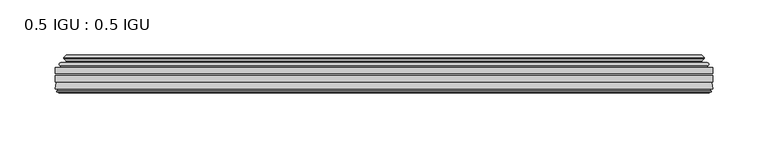
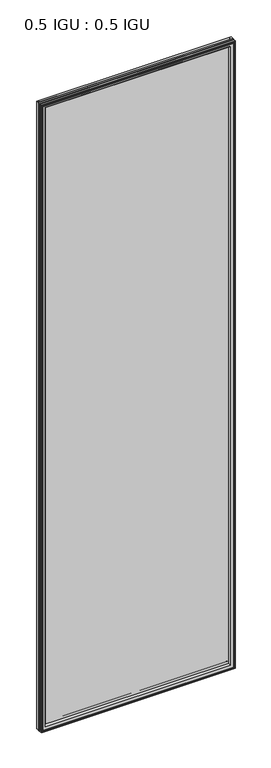
"""IFC4 building model written with IfcOpenShell, lengths in millimetres: plate geometry, 0.5 IGU : 0.5 IGU."""

from ifc_helpers import new_model, si_unit, frame, origin, place, context, project, spatial, polyline, ellipse_curve, outline, extrude, source, transform, mapped, element, save
from ifc_brep_helpers import plane_surface, cylinder_surface, revolved_surface, advanced_brep


def plate_0_5_igu_0_5_igu_023c3213(model_context):
    return source(origin(), model_context, "Body", "SolidModel", [
        extrude(outline(polyline([(296.8798663, -55.82285), (296.8798663, -61.48705), (-296.8656913, -61.48705), (-296.8656913, -55.82285), (296.8798663, -55.82285)])), frame((0.0, 0.0, -14.2875), z_axis=(0.0, 0.0, 1.0), x_axis=(1.0, 0.0, 0.0)), (0.0, 0.0, 1.0), 2025.6537979),
        extrude(outline(polyline([(-296.8656913, -69.05625), (-296.8656913, -63.39205), (296.8798663, -63.39205), (296.8798663, -69.05625), (-296.8656913, -69.05625)])), frame((0.0, 0.0, -14.2875), z_axis=(0.0, 0.0, 1.0), x_axis=(1.0, 0.0, 0.0)), (0.0, 0.0, 1.0), 2025.6537979),
        advanced_brep(
        [(-292.7631539, -54.3724927, 2007.2599626), (-291.7186291, -51.60645, 2006.2154378), (-291.7186291, -51.60645, -9.1404378), (-292.7631539, -54.3724927, -10.1849626), (-291.1267083, -55.82285, 2005.623517), (-291.1267083, -55.82285, -8.548517), (-282.5781913, -45.63745, 1997.075), (-278.9954674, -55.82285, 1993.4922761), (-278.9954674, -55.82285, 3.5827239), (-282.5781913, -45.63745, 0.0), (-287.7641022, -46.8185491, 2002.2609109), (-287.7641022, -46.8185491, -5.1859109), (-286.9670806, -44.8183085, 2001.4638893), (-286.9670806, -44.8183085, -4.3888893), (-289.2508024, -47.135817, 2003.7476111), (-289.2508024, -47.135817, -6.6726111), (-289.2508024, -47.8489429, 2003.7476111), (-289.2508024, -47.8489429, -6.6726111), (-286.9670806, -50.1664515, 2001.4638893), (-286.9670806, -50.1664515, -4.3888893), (-287.7564414, -48.1854367, 2002.2532501), (-287.7564414, -48.1854367, -5.1782501), (-285.2326292, -48.027045, 1999.7294379), (-285.2326292, -48.027045, -2.6544379), (-284.206813, -48.7147544, 1998.7036217), (-284.206813, -48.7147544, -1.6286217), (-284.3252202, -50.1092231, 1998.8220288), (-284.3252202, -50.1092231, -1.7470288), (-284.9269661, -51.60645, 1999.4237748), (-284.9269661, -51.60645, -2.3487748), (291.7186291, -51.60645, -9.1404378), (292.7631539, -54.3724927, -10.1849626), (291.1267083, -55.82285, -8.548517), (278.9954674, -55.82285, 3.5827239), (282.5781913, -45.63745, 0.0), (287.7641022, -46.8185491, -5.1859109), (286.9670806, -44.8183085, -4.3888893), (289.2508024, -47.135817, -6.6726111), (289.2508024, -47.8489429, -6.6726111), (286.9670806, -50.1664515, -4.3888893), (287.7564414, -48.1854367, -5.1782501), (285.2326292, -48.027045, -2.6544379), (284.206813, -48.7147544, -1.6286217), (284.3252202, -50.1092231, -1.7470288), (284.9269661, -51.60645, -2.3487748), (291.7186291, -51.60645, 2006.2154378), (292.7631539, -54.3724927, 2007.2599626), (291.1267083, -55.82285, 2005.623517), (278.9954674, -55.82285, 1993.4922761), (282.5781913, -45.63745, 1997.075), (287.7641022, -46.8185491, 2002.2609109), (286.9670806, -44.8183085, 2001.4638893), (289.2508024, -47.135817, 2003.7476111), (289.2508024, -47.8489429, 2003.7476111), (286.9670806, -50.1664515, 2001.4638893), (287.7564414, -48.1854367, 2002.2532501), (285.2326292, -48.027045, 1999.7294379), (284.206813, -48.7147544, 1998.7036217), (284.3252202, -50.1092231, 1998.8220288), (284.9269661, -51.60645, 1999.4237748)],
        [
            (0, 1, ellipse_curve(frame((-291.7102616, -53.1898501, 2006.2070703), z_axis=(-0.7071067811865475, 0.0, -0.7071067811865475), x_axis=(-0.7071067811865474, 0.0, 0.7071067811865476)), 2.2392971, 1.5834222)),
            (1, 2),
            (2, 3, ellipse_curve(frame((-291.7102616, -53.1898501, -9.1320703), z_axis=(-0.7071067811865475, 0.0, 0.7071067811865475), x_axis=(0.7071067811865474, 0.0, 0.7071067811865476)), 2.2392971, 1.5834222)),
            (3, 0),
            (4, 0),
            (3, 5),
            (5, 4),
            (6, 7, ellipse_curve(frame((-250.2984374, -40.0058297, 1964.795246), z_axis=(0.7071067811865475, 0.0, 0.7071067811865475), x_axis=(0.7071067811865474, 0.0, -0.7071067811865476)), 46.3399971, 32.7673262)),
            (7, 8),
            (8, 9, ellipse_curve(frame((-250.2984374, -40.0058297, 32.279754), z_axis=(0.7071067811865475, 0.0, -0.7071067811865475), x_axis=(-0.7071067811865474, 0.0, -0.7071067811865476)), 46.3399971, 32.7673262)),
            (9, 6),
            (10, 6),
            (9, 11),
            (11, 10),
            (12, 10),
            (11, 13),
            (13, 12),
            (14, 12),
            (13, 15),
            (15, 14),
            (16, 14, ellipse_curve(frame((-288.8889642, -47.49238, 2003.3857729), z_axis=(-0.7071067811865475, 0.0, -0.7071067811865475), x_axis=(-0.7071067811865474, 0.0, 0.7071067811865476)), 0.7184205, 0.508)),
            (15, 17, ellipse_curve(frame((-288.8889642, -47.49238, -6.3107729), z_axis=(-0.7071067811865475, 0.0, 0.7071067811865475), x_axis=(0.7071067811865474, 0.0, 0.7071067811865476)), 0.7184205, 0.508)),
            (17, 16),
            (18, 16),
            (17, 19),
            (19, 18),
            (20, 18),
            (19, 21),
            (21, 20),
            (22, 20),
            (21, 23),
            (23, 22),
            (24, 22, ellipse_curve(frame((-285.1689913, -49.04105, 1999.6658), z_axis=(0.7071067811865475, 0.0, 0.7071067811865475), x_axis=(0.7071067811865474, 0.0, -0.7071067811865476)), 1.436841, 1.016)),
            (23, 25, ellipse_curve(frame((-285.1689913, -49.04105, -2.5908), z_axis=(0.7071067811865475, 0.0, -0.7071067811865475), x_axis=(-0.7071067811865474, 0.0, -0.7071067811865476)), 1.436841, 1.016)),
            (25, 24),
            (26, 24, ellipse_curve(frame((-286.5405913, -49.21885, 2001.0374), z_axis=(0.7071067811865475, 0.0, 0.7071067811865475), x_axis=(0.7071067811865474, 0.0, -0.7071067811865476)), 3.3765763, 2.3876)),
            (25, 27, ellipse_curve(frame((-286.5405913, -49.21885, -3.9624), z_axis=(0.7071067811865475, 0.0, -0.7071067811865475), x_axis=(-0.7071067811865474, 0.0, -0.7071067811865476)), 3.3765763, 2.3876)),
            (27, 26),
            (28, 26),
            (27, 29),
            (29, 28),
            (2, 30),
            (30, 31, ellipse_curve(frame((291.7102616, -53.1898501, -9.1320703), z_axis=(-0.7071067811865475, 0.0, -0.7071067811865475), x_axis=(-0.7071067811865476, 0.0, 0.7071067811865474)), 2.2392971, 1.5834222)),
            (31, 3),
            (31, 32),
            (32, 5),
            (8, 33),
            (33, 34, ellipse_curve(frame((250.2984374, -40.0058297, 32.279754), z_axis=(0.7071067811865475, 0.0, 0.7071067811865475), x_axis=(0.7071067811865476, 0.0, -0.7071067811865474)), 46.3399971, 32.7673262)),
            (34, 9),
            (34, 35),
            (35, 11),
            (35, 36),
            (36, 13),
            (36, 37),
            (37, 15),
            (37, 38, ellipse_curve(frame((288.8889642, -47.49238, -6.3107729), z_axis=(-0.7071067811865475, 0.0, -0.7071067811865475), x_axis=(-0.7071067811865476, 0.0, 0.7071067811865474)), 0.7184205, 0.508)),
            (38, 17),
            (38, 39),
            (39, 19),
            (39, 40),
            (40, 21),
            (40, 41),
            (41, 23),
            (41, 42, ellipse_curve(frame((285.1689913, -49.04105, -2.5908), z_axis=(0.7071067811865475, 0.0, 0.7071067811865475), x_axis=(0.7071067811865476, 0.0, -0.7071067811865474)), 1.436841, 1.016)),
            (42, 25),
            (42, 43, ellipse_curve(frame((286.5405913, -49.21885, -3.9624), z_axis=(0.7071067811865475, 0.0, 0.7071067811865475), x_axis=(0.7071067811865476, 0.0, -0.7071067811865474)), 3.3765763, 2.3876)),
            (43, 27),
            (43, 44),
            (44, 29),
            (30, 45),
            (45, 46, ellipse_curve(frame((291.7102616, -53.1898501, 2006.2070703), z_axis=(0.7071067811865475, 0.0, -0.7071067811865475), x_axis=(-0.7071067811865474, 0.0, -0.7071067811865476)), 2.2392971, 1.5834222)),
            (46, 31),
            (46, 47),
            (47, 32),
            (33, 48),
            (48, 49, ellipse_curve(frame((250.2984374, -40.0058297, 1964.795246), z_axis=(-0.7071067811865475, 0.0, 0.7071067811865475), x_axis=(0.7071067811865474, 0.0, 0.7071067811865476)), 46.3399971, 32.7673262)),
            (49, 34),
            (49, 50),
            (50, 35),
            (50, 51),
            (51, 36),
            (51, 52),
            (52, 37),
            (52, 53, ellipse_curve(frame((288.8889642, -47.49238, 2003.3857729), z_axis=(0.7071067811865475, 0.0, -0.7071067811865475), x_axis=(-0.7071067811865474, 0.0, -0.7071067811865476)), 0.7184205, 0.508)),
            (53, 38),
            (53, 54),
            (54, 39),
            (54, 55),
            (55, 40),
            (55, 56),
            (56, 41),
            (56, 57, ellipse_curve(frame((285.1689913, -49.04105, 1999.6658), z_axis=(-0.7071067811865475, 0.0, 0.7071067811865475), x_axis=(0.7071067811865474, 0.0, 0.7071067811865476)), 1.436841, 1.016)),
            (57, 42),
            (57, 58, ellipse_curve(frame((286.5405913, -49.21885, 2001.0374), z_axis=(-0.7071067811865475, 0.0, 0.7071067811865475), x_axis=(0.7071067811865474, 0.0, 0.7071067811865476)), 3.3765763, 2.3876)),
            (58, 43),
            (58, 59),
            (59, 44),
            (45, 1),
            (0, 46),
            (4, 47),
            (7, 48),
            (6, 49),
            (10, 50),
            (12, 51),
            (14, 52),
            (16, 53),
            (18, 54),
            (20, 55),
            (22, 56),
            (24, 57),
            (26, 58),
            (28, 59),
        ],
        [
            cylinder_surface(frame((-291.7102616, -53.1898501, 2028.825), z_axis=(0.0, 0.0, 1.0), x_axis=(-1.0, 0.0, 0.0)), 1.5834222),
            plane_surface(frame((-292.7631539, -54.3724927, 2007.2599626), z_axis=(-0.6632745773184306, -0.7483761320907135, 0.0), x_axis=(0.0, 0.0, -1.0))),
            revolved_surface(polyline([(-283.0657636, -40.0058297, -0.48757218957507575), (-283.0657636, -40.0058297, 1997.562572189575)]), (-250.2984374, -40.0058297, 2028.825), (0.0, 0.0, -1.0)),
            plane_surface(frame((-282.5781913, -45.63745, 1997.075), z_axis=(-0.2220649844278743, 0.975031867525902, 0.0), x_axis=(0.0, 0.0, -1.0))),
            plane_surface(frame((-287.7641022, -46.8185491, 2002.2609109), z_axis=(0.9289682685630282, -0.370159365683228, 0.0), x_axis=(0.0, 0.0, -1.0))),
            plane_surface(frame((-286.9670806, -44.8183085, 2001.4638893), z_axis=(-0.7122798501733507, 0.7018955869907071, 0.0), x_axis=(0.0, 0.0, -1.0))),
            cylinder_surface(frame((-288.8889642, -47.49238, 2028.825), z_axis=(0.0, 0.0, 1.0), x_axis=(-1.0, 0.0, 0.0)), 0.508),
            plane_surface(frame((-289.2508024, -47.8489429, 2003.7476111), z_axis=(-0.7122798501732925, -0.701895586990766, 0.0), x_axis=(0.0, 0.0, -1.0))),
            plane_surface(frame((-286.9670806, -50.1664515, 2001.4638893), z_axis=(0.9289682685628707, 0.3701593656836228, 0.0), x_axis=(0.0, 0.0, -1.0))),
            plane_surface(frame((-287.7564414, -48.1854367, 2002.2532501), z_axis=(0.0626357011928498, -0.9980364567169279, 0.0), x_axis=(0.0, 0.0, -1.0))),
            revolved_surface(polyline([(-286.18499130000004, -49.04105, -3.6068000145867245), (-286.18499130000004, -49.04105, 2000.6818000145868)]), (-285.1689913, -49.04105, 2028.825), (0.0, 0.0, -1.0)),
            revolved_surface(polyline([(-288.92819130000004, -49.21885, -6.3499999989237494), (-288.92819130000004, -49.21885, 2003.4249999989238)]), (-286.5405913, -49.21885, 2028.825), (0.0, 0.0, -1.0)),
            plane_surface(frame((-284.3252202, -50.1092231, 1998.8220288), z_axis=(-0.9278652925428184, 0.3729155385532094, 0.0), x_axis=(0.0, 0.0, -1.0))),
            cylinder_surface(frame((-314.3281913, -53.1898501, -9.1320703), z_axis=(-1.0, 0.0, 0.0), x_axis=(0.0, 0.0, -1.0)), 1.5834222),
            plane_surface(frame((-292.7631539, -54.3724927, -10.1849626), z_axis=(0.0, -0.7483761320907157, -0.6632745773184283), x_axis=(1.0, 0.0, 0.0))),
            revolved_surface(polyline([(283.06576358957506, -40.0058297, -0.48757220000000245), (-283.06576358957494, -40.0058297, -0.48757220000000245)]), (-314.3281913, -40.0058297, 32.279754), (1.0, 0.0, 0.0)),
            plane_surface(frame((-282.5781913, -45.63745, 0.0), z_axis=(0.0, 0.9750318675259013, -0.22206498442787745), x_axis=(1.0, 0.0, 0.0))),
            plane_surface(frame((-287.7641022, -46.8185491, -5.1859109), z_axis=(0.0, -0.370159365683225, 0.9289682685630294), x_axis=(1.0, 0.0, 0.0))),
            plane_surface(frame((-286.9670806, -44.8183085, -4.3888893), z_axis=(0.0, 0.7018955869907048, -0.7122798501733529), x_axis=(1.0, 0.0, 0.0))),
            cylinder_surface(frame((-314.3281913, -47.49238, -6.3107729), z_axis=(-1.0, 0.0, 0.0), x_axis=(0.0, 0.0, -1.0)), 0.508),
            plane_surface(frame((-289.2508024, -47.8489429, -6.6726111), z_axis=(0.0, -0.7018955869907684, -0.7122798501732903), x_axis=(1.0, 0.0, 0.0))),
            plane_surface(frame((-286.9670806, -50.1664515, -4.3888893), z_axis=(0.0, 0.37015936568362584, 0.9289682685628696), x_axis=(1.0, 0.0, 0.0))),
            plane_surface(frame((-287.7564414, -48.1854367, -5.1782501), z_axis=(0.0, -0.9980364567169276, 0.06263570119285301), x_axis=(1.0, 0.0, 0.0))),
            revolved_surface(polyline([(286.18499131458697, -49.04105, -3.6068000000000002), (-286.18499131458685, -49.04105, -3.6068000000000002)]), (-314.3281913, -49.04105, -2.5908), (1.0, 0.0, 0.0)),
            revolved_surface(polyline([(288.92819129892376, -49.21885, -6.35), (-288.9281912989238, -49.21885, -6.35)]), (-314.3281913, -49.21885, -3.9624), (1.0, 0.0, 0.0)),
            plane_surface(frame((-284.3252202, -50.1092231, -1.7470288), z_axis=(0.0, 0.3729155385532064, -0.9278652925428196), x_axis=(1.0, 0.0, 0.0))),
            cylinder_surface(frame((291.7102616, -53.1898501, -31.75), z_axis=(0.0, 0.0, -1.0), x_axis=(1.0, 0.0, 0.0)), 1.5834222),
            plane_surface(frame((292.7631539, -54.3724927, -10.1849626), z_axis=(0.6632745773184259, -0.7483761320907178, 0.0), x_axis=(0.0, 0.0, 1.0))),
            revolved_surface(polyline([(283.0657636, -40.0058297, 1997.562572189575), (283.0657636, -40.0058297, -0.48757218957494075)]), (250.2984374, -40.0058297, -31.75), (0.0, 0.0, 1.0)),
            plane_surface(frame((282.5781913, -45.63745, 0.0), z_axis=(0.22206498442788056, 0.9750318675259005, 0.0), x_axis=(0.0, 0.0, 1.0))),
            plane_surface(frame((287.7641022, -46.8185491, -5.1859109), z_axis=(-0.9289682685630306, -0.370159365683222, 0.0), x_axis=(0.0, 0.0, 1.0))),
            plane_surface(frame((286.9670806, -44.8183085, -4.3888893), z_axis=(0.7122798501733552, 0.7018955869907024, 0.0), x_axis=(0.0, 0.0, 1.0))),
            cylinder_surface(frame((288.8889642, -47.49238, -31.75), z_axis=(0.0, 0.0, -1.0), x_axis=(1.0, 0.0, 0.0)), 0.508),
            plane_surface(frame((289.2508024, -47.8489429, -6.6726111), z_axis=(0.712279850173288, -0.7018955869907706, 0.0), x_axis=(0.0, 0.0, 1.0))),
            plane_surface(frame((286.9670806, -50.1664515, -4.3888893), z_axis=(-0.9289682685628684, 0.37015936568362884, 0.0), x_axis=(0.0, 0.0, 1.0))),
            plane_surface(frame((287.7564414, -48.1854367, -5.1782501), z_axis=(-0.06263570119285623, -0.9980364567169274, 0.0), x_axis=(0.0, 0.0, 1.0))),
            revolved_surface(polyline([(286.18499130000004, -49.04105, 2000.6818000145868), (286.18499130000004, -49.04105, -3.606800014586863)]), (285.1689913, -49.04105, -31.75), (0.0, 0.0, 1.0)),
            revolved_surface(polyline([(288.92819130000004, -49.21885, 2003.4249999989238), (288.92819130000004, -49.21885, -6.349999998923781)]), (286.5405913, -49.21885, -31.75), (0.0, 0.0, 1.0)),
            plane_surface(frame((284.3252202, -50.1092231, -1.7470288), z_axis=(0.9278652925428208, 0.3729155385532034, 0.0), x_axis=(0.0, 0.0, 1.0))),
            cylinder_surface(frame((314.3281913, -53.1898501, 2006.2070703), z_axis=(1.0, 0.0, 0.0), x_axis=(0.0, 0.0, 1.0)), 1.5834222),
            plane_surface(frame((292.7631539, -54.3724927, 2007.2599626), z_axis=(0.0, -0.7483761320907157, 0.6632745773184283), x_axis=(-1.0, 0.0, 0.0))),
            plane_surface(frame((291.1267083, -55.82285, 2005.623517), z_axis=(0.0, -1.0, 0.0), x_axis=(-1.0, 0.0, 0.0))),
            revolved_surface(polyline([(-283.06576358957506, -40.0058297, 1997.5625722), (283.06576358957494, -40.0058297, 1997.5625722)]), (314.3281913, -40.0058297, 1964.795246), (-1.0, 0.0, 0.0)),
            plane_surface(frame((282.5781913, -45.63745, 1997.075), z_axis=(0.0, 0.9750318675259012, 0.22206498442787742), x_axis=(-1.0, 0.0, 0.0))),
            plane_surface(frame((287.7641022, -46.8185491, 2002.2609109), z_axis=(0.0, -0.370159365683225, -0.9289682685630294), x_axis=(-1.0, 0.0, 0.0))),
            plane_surface(frame((286.9670806, -44.8183085, 2001.4638893), z_axis=(0.0, 0.7018955869907048, 0.7122798501733529), x_axis=(-1.0, 0.0, 0.0))),
            cylinder_surface(frame((314.3281913, -47.49238, 2003.3857729), z_axis=(1.0, 0.0, 0.0), x_axis=(0.0, 0.0, 1.0)), 0.508),
            plane_surface(frame((289.2508024, -47.8489429, 2003.7476111), z_axis=(0.0, -0.7018955869907684, 0.7122798501732903), x_axis=(-1.0, 0.0, 0.0))),
            plane_surface(frame((286.9670806, -50.1664515, 2001.4638893), z_axis=(0.0, 0.37015936568362584, -0.9289682685628696), x_axis=(-1.0, 0.0, 0.0))),
            plane_surface(frame((287.7564414, -48.1854367, 2002.2532501), z_axis=(0.0, -0.9980364567169276, -0.06263570119285301), x_axis=(-1.0, 0.0, 0.0))),
            revolved_surface(polyline([(-286.18499131458697, -49.04105, 2000.6818), (286.18499131458685, -49.04105, 2000.6818)]), (314.3281913, -49.04105, 1999.6658), (-1.0, 0.0, 0.0)),
            revolved_surface(polyline([(-288.92819129892376, -49.21885, 2003.425), (288.9281912989238, -49.21885, 2003.425)]), (314.3281913, -49.21885, 2001.0374), (-1.0, 0.0, 0.0)),
            plane_surface(frame((284.3252202, -50.1092231, 1998.8220288), z_axis=(0.0, 0.3729155385532064, 0.9278652925428196), x_axis=(-1.0, 0.0, 0.0))),
            plane_surface(frame((284.9269661, -51.60645, 1999.4237748), z_axis=(0.0, 1.0, 0.0), x_axis=(-1.0, 0.0, 0.0))),
        ],
        [
            (0, [[1, 2, 3, 4]]),
            (1, [[5, -4, 6, 7]]),
            (2, [[8, 9, 10, 11]]),
            (3, [[12, -11, 13, 14]]),
            (4, [[15, -14, 16, 17]]),
            (5, [[18, -17, 19, 20]]),
            (6, [[21, -20, 22, 23]]),
            (7, [[24, -23, 25, 26]]),
            (8, [[27, -26, 28, 29]]),
            (9, [[30, -29, 31, 32]]),
            (10, [[33, -32, 34, 35]]),
            (11, [[36, -35, 37, 38]]),
            (12, [[39, -38, 40, 41]]),
            (13, [[-3, 42, 43, 44]]),
            (14, [[-6, -44, 45, 46]]),
            (15, [[-10, 47, 48, 49]]),
            (16, [[-13, -49, 50, 51]]),
            (17, [[-16, -51, 52, 53]]),
            (18, [[-19, -53, 54, 55]]),
            (19, [[-22, -55, 56, 57]]),
            (20, [[-25, -57, 58, 59]]),
            (21, [[-28, -59, 60, 61]]),
            (22, [[-31, -61, 62, 63]]),
            (23, [[-34, -63, 64, 65]]),
            (24, [[-37, -65, 66, 67]]),
            (25, [[-40, -67, 68, 69]]),
            (26, [[-43, 70, 71, 72]]),
            (27, [[-45, -72, 73, 74]]),
            (28, [[-48, 75, 76, 77]]),
            (29, [[-50, -77, 78, 79]]),
            (30, [[-52, -79, 80, 81]]),
            (31, [[-54, -81, 82, 83]]),
            (32, [[-56, -83, 84, 85]]),
            (33, [[-58, -85, 86, 87]]),
            (34, [[-60, -87, 88, 89]]),
            (35, [[-62, -89, 90, 91]]),
            (36, [[-64, -91, 92, 93]]),
            (37, [[-66, -93, 94, 95]]),
            (38, [[-68, -95, 96, 97]]),
            (39, [[-71, 98, -1, 99]]),
            (40, [[-73, -99, -5, 100]]),
            (41, [[-46, -74, -100, -7], [101, -75, -47, -9]]),
            (42, [[-76, -101, -8, 102]]),
            (43, [[-78, -102, -12, 103]]),
            (44, [[-80, -103, -15, 104]]),
            (45, [[-82, -104, -18, 105]]),
            (46, [[-84, -105, -21, 106]]),
            (47, [[-86, -106, -24, 107]]),
            (48, [[-88, -107, -27, 108]]),
            (49, [[-90, -108, -30, 109]]),
            (50, [[-92, -109, -33, 110]]),
            (51, [[-94, -110, -36, 111]]),
            (52, [[-96, -111, -39, 112]]),
            (53, [[-98, -70, -42, -2], [-69, -97, -112, -41]]),
        ],
    ),
        advanced_brep(
        [(-296.8783913, -75.40625, 2011.3752), (-296.1836075, -69.7476901, 2010.6804162), (-296.1836075, -69.7476901, -13.6054162), (-296.8783913, -75.40625, -14.3002), (-294.4907913, -77.3973143, 2008.9876), (-294.9479913, -75.40625, 2009.4448), (-294.9479913, -75.40625, -12.3698), (-294.4907913, -77.3973143, -11.9126), (-295.4921532, -77.1290001, 2009.9889619), (-295.4921532, -77.1290001, -12.9139619), (-295.7353913, -78.0367772, 2010.2322), (-295.7353913, -78.0367772, -13.1572), (-293.7033913, -78.58125, 2008.2002), (-293.7033913, -78.58125, -11.1252), (-291.6713913, -78.0367772, 2006.1682), (-291.6713913, -78.0367772, -9.0932), (-291.9146295, -77.1290001, 2006.4114381), (-291.9146295, -77.1290001, -9.3364381), (-292.9159913, -77.3973143, 2007.4128), (-292.9159913, -77.3973143, -10.3378), (-292.4587913, -75.40625, 2006.9556), (-292.4587913, -75.40625, -9.8806), (-278.9887283, -69.05625, 1993.4855369), (-282.5781913, -75.40625, 1997.075), (-282.5781913, -75.40625, 0.0), (-278.9887283, -69.05625, 3.5894631), (-295.4020767, -69.05625, 2009.8988854), (-295.4020767, -69.05625, -12.8238854), (296.1836075, -69.7476901, -13.6054162), (296.8783913, -75.40625, -14.3002), (294.9479913, -75.40625, -12.3698), (294.4907913, -77.3973143, -11.9126), (295.4921532, -77.1290001, -12.9139619), (295.7353913, -78.0367772, -13.1572), (293.7033913, -78.58125, -11.1252), (291.6713913, -78.0367772, -9.0932), (291.9146295, -77.1290001, -9.3364381), (292.9159913, -77.3973143, -10.3378), (292.4587913, -75.40625, -9.8806), (282.5781913, -75.40625, 0.0), (278.9887283, -69.05625, 3.5894631), (295.4020767, -69.05625, -12.8238854), (296.1836075, -69.7476901, 2010.6804162), (296.8783913, -75.40625, 2011.3752), (294.9479913, -75.40625, 2009.4448), (294.4907913, -77.3973143, 2008.9876), (295.4921532, -77.1290001, 2009.9889619), (295.7353913, -78.0367772, 2010.2322), (293.7033913, -78.58125, 2008.2002), (291.6713913, -78.0367772, 2006.1682), (291.9146295, -77.1290001, 2006.4114381), (292.9159913, -77.3973143, 2007.4128), (292.4587913, -75.40625, 2006.9556), (282.5781913, -75.40625, 1997.075), (278.9887283, -69.05625, 1993.4855369), (295.4020767, -69.05625, 2009.8988854)],
        [
            (0, 1),
            (1, 2),
            (2, 3),
            (3, 0),
            (4, 5),
            (5, 6),
            (6, 7),
            (7, 4),
            (8, 4),
            (7, 9),
            (9, 8),
            (10, 8),
            (9, 11),
            (11, 10),
            (12, 10),
            (11, 13),
            (13, 12),
            (14, 12),
            (13, 15),
            (15, 14),
            (16, 14),
            (15, 17),
            (17, 16),
            (18, 16),
            (17, 19),
            (19, 18),
            (20, 18),
            (19, 21),
            (21, 20),
            (22, 23, ellipse_curve(frame((-274.1019027, -76.0081323, 1988.5987114), z_axis=(0.7071067811865475, 0.0, 0.7071067811865475), x_axis=(0.7071067811865474, 0.0, -0.7071067811865476)), 12.0174649, 8.4976309)),
            (23, 24),
            (24, 25, ellipse_curve(frame((-274.1019027, -76.0081323, 8.4762886), z_axis=(0.7071067811865475, 0.0, -0.7071067811865475), x_axis=(-0.7071067811865474, 0.0, -0.7071067811865476)), 12.0174649, 8.4976309)),
            (25, 22),
            (1, 26, ellipse_curve(frame((-295.4020767, -69.84365, 2009.8988854), z_axis=(-0.7071067811865475, 0.0, -0.7071067811865475), x_axis=(-0.7071067811865474, 0.0, 0.7071067811865476)), 1.1135518, 0.7874)),
            (26, 27),
            (27, 2, ellipse_curve(frame((-295.4020767, -69.84365, -12.8238854), z_axis=(-0.7071067811865475, 0.0, 0.7071067811865475), x_axis=(0.7071067811865474, 0.0, 0.7071067811865476)), 1.1135518, 0.7874)),
            (2, 28),
            (28, 29),
            (29, 3),
            (6, 30),
            (30, 31),
            (31, 7),
            (31, 32),
            (32, 9),
            (32, 33),
            (33, 11),
            (33, 34),
            (34, 13),
            (34, 35),
            (35, 15),
            (35, 36),
            (36, 17),
            (36, 37),
            (37, 19),
            (37, 38),
            (38, 21),
            (24, 39),
            (39, 40, ellipse_curve(frame((274.1019027, -76.0081323, 8.4762886), z_axis=(0.7071067811865475, 0.0, 0.7071067811865475), x_axis=(0.7071067811865476, 0.0, -0.7071067811865474)), 12.0174649, 8.4976309)),
            (40, 25),
            (27, 41),
            (41, 28, ellipse_curve(frame((295.4020767, -69.84365, -12.8238854), z_axis=(-0.7071067811865475, 0.0, -0.7071067811865475), x_axis=(-0.7071067811865476, 0.0, 0.7071067811865474)), 1.1135518, 0.7874)),
            (28, 42),
            (42, 43),
            (43, 29),
            (30, 44),
            (44, 45),
            (45, 31),
            (45, 46),
            (46, 32),
            (46, 47),
            (47, 33),
            (47, 48),
            (48, 34),
            (48, 49),
            (49, 35),
            (49, 50),
            (50, 36),
            (50, 51),
            (51, 37),
            (51, 52),
            (52, 38),
            (39, 53),
            (53, 54, ellipse_curve(frame((274.1019027, -76.0081323, 1988.5987114), z_axis=(-0.7071067811865475, 0.0, 0.7071067811865475), x_axis=(0.7071067811865474, 0.0, 0.7071067811865476)), 12.0174649, 8.4976309)),
            (54, 40),
            (41, 55),
            (55, 42, ellipse_curve(frame((295.4020767, -69.84365, 2009.8988854), z_axis=(0.7071067811865475, 0.0, -0.7071067811865475), x_axis=(-0.7071067811865474, 0.0, -0.7071067811865476)), 1.1135518, 0.7874)),
            (42, 1),
            (0, 43),
            (5, 44),
            (4, 45),
            (8, 46),
            (10, 47),
            (12, 48),
            (14, 49),
            (16, 50),
            (18, 51),
            (20, 52),
            (23, 53),
            (22, 54),
            (26, 55),
        ],
        [
            plane_surface(frame((-296.1836075, -69.7476901, 2010.6804162), z_axis=(-0.992546151641325, 0.12186934340512405, 0.0), x_axis=(0.0, 0.0, -1.0))),
            plane_surface(frame((-294.9479913, -75.40625, 2009.4448), z_axis=(-0.9746347637895902, -0.22380142361658398, 0.0), x_axis=(0.0, 0.0, -1.0))),
            plane_surface(frame((-294.4907913, -77.3973143, 2008.9876), z_axis=(0.2588190451026526, 0.965925826289033, 0.0), x_axis=(0.0, 0.0, -1.0))),
            plane_surface(frame((-295.4921532, -77.1290001, 2009.9889619), z_axis=(-0.9659258262890449, 0.2588190451026083, 0.0), x_axis=(0.0, 0.0, -1.0))),
            plane_surface(frame((-295.7353913, -78.0367772, 2010.2322), z_axis=(-0.2588190451024403, -0.96592582628909, 0.0), x_axis=(0.0, 0.0, -1.0))),
            plane_surface(frame((-293.7033913, -78.58125, 2008.2002), z_axis=(0.2588190451025434, -0.9659258262890623, 0.0), x_axis=(0.0, 0.0, -1.0))),
            plane_surface(frame((-291.6713913, -78.0367772, 2006.1682), z_axis=(0.9659258262891713, 0.25881904510213655, 0.0), x_axis=(0.0, 0.0, -1.0))),
            plane_surface(frame((-291.9146295, -77.1290001, 2006.4114381), z_axis=(-0.25881904510234177, 0.9659258262891163, 0.0), x_axis=(0.0, 0.0, -1.0))),
            plane_surface(frame((-292.9159913, -77.3973143, 2007.4128), z_axis=(0.9746347637895849, -0.22380142361660743, 0.0), x_axis=(0.0, 0.0, -1.0))),
            revolved_surface(polyline([(-282.5995336, -76.0081323, -0.021342323461112755), (-282.5995336, -76.0081323, 1997.0963423234612)]), (-274.1019027, -76.0081323, 2028.825), (0.0, 0.0, -1.0)),
            cylinder_surface(frame((-295.4020767, -69.84365, 2028.825), z_axis=(0.0, 0.0, 1.0), x_axis=(-1.0, 0.0, 0.0)), 0.7874),
            plane_surface(frame((-296.1836075, -69.7476901, -13.6054162), z_axis=(0.0, 0.12186934340512084, -0.9925461516413254), x_axis=(1.0, 0.0, 0.0))),
            plane_surface(frame((-294.9479913, -75.40625, -12.3698), z_axis=(0.0, -0.22380142361658714, -0.9746347637895896), x_axis=(1.0, 0.0, 0.0))),
            plane_surface(frame((-294.4907913, -77.3973143, -11.9126), z_axis=(0.0, 0.9659258262890339, 0.25881904510264947), x_axis=(1.0, 0.0, 0.0))),
            plane_surface(frame((-295.4921532, -77.1290001, -12.9139619), z_axis=(0.0, 0.25881904510260517, -0.9659258262890458), x_axis=(1.0, 0.0, 0.0))),
            plane_surface(frame((-295.7353913, -78.0367772, -13.1572), z_axis=(0.0, -0.9659258262890907, -0.25881904510243714), x_axis=(1.0, 0.0, 0.0))),
            plane_surface(frame((-293.7033913, -78.58125, -11.1252), z_axis=(0.0, -0.9659258262890614, 0.2588190451025465), x_axis=(1.0, 0.0, 0.0))),
            plane_surface(frame((-291.6713913, -78.0367772, -9.0932), z_axis=(0.0, 0.25881904510213966, 0.9659258262891705), x_axis=(1.0, 0.0, 0.0))),
            plane_surface(frame((-291.9146295, -77.1290001, -9.3364381), z_axis=(0.0, 0.9659258262891154, -0.2588190451023449), x_axis=(1.0, 0.0, 0.0))),
            plane_surface(frame((-292.9159913, -77.3973143, -10.3378), z_axis=(0.0, -0.2238014236166043, 0.9746347637895857), x_axis=(1.0, 0.0, 0.0))),
            revolved_surface(polyline([(282.59953362346135, -76.0081323, -0.02134230000000059), (-282.5995336234613, -76.0081323, -0.02134230000000059)]), (-314.3281913, -76.0081323, 8.4762886), (1.0, 0.0, 0.0)),
            cylinder_surface(frame((-314.3281913, -69.84365, -12.8238854), z_axis=(-1.0, 0.0, 0.0), x_axis=(0.0, 0.0, -1.0)), 0.7874),
            plane_surface(frame((296.1836075, -69.7476901, -13.6054162), z_axis=(0.9925461516413259, 0.12186934340511764, 0.0), x_axis=(0.0, 0.0, 1.0))),
            plane_surface(frame((294.9479913, -75.40625, -12.3698), z_axis=(0.9746347637895888, -0.22380142361659028, 0.0), x_axis=(0.0, 0.0, 1.0))),
            plane_surface(frame((294.4907913, -77.3973143, -11.9126), z_axis=(-0.25881904510264636, 0.9659258262890348, 0.0), x_axis=(0.0, 0.0, 1.0))),
            plane_surface(frame((295.4921532, -77.1290001, -12.9139619), z_axis=(0.9659258262890467, 0.25881904510260206, 0.0), x_axis=(0.0, 0.0, 1.0))),
            plane_surface(frame((295.7353913, -78.0367772, -13.1572), z_axis=(0.25881904510243403, -0.9659258262890916, 0.0), x_axis=(0.0, 0.0, 1.0))),
            plane_surface(frame((293.7033913, -78.58125, -11.1252), z_axis=(-0.25881904510254966, -0.9659258262890607, 0.0), x_axis=(0.0, 0.0, 1.0))),
            plane_surface(frame((291.6713913, -78.0367772, -9.0932), z_axis=(-0.9659258262891696, 0.25881904510214276, 0.0), x_axis=(0.0, 0.0, 1.0))),
            plane_surface(frame((291.9146295, -77.1290001, -9.3364381), z_axis=(0.25881904510234804, 0.9659258262891146, 0.0), x_axis=(0.0, 0.0, 1.0))),
            plane_surface(frame((292.9159913, -77.3973143, -10.3378), z_axis=(-0.9746347637895864, -0.22380142361660113, 0.0), x_axis=(0.0, 0.0, 1.0))),
            revolved_surface(polyline([(282.5995336, -76.0081323, 1997.0963423234612), (282.5995336, -76.0081323, -0.021342323461311707)]), (274.1019027, -76.0081323, -31.75), (0.0, 0.0, 1.0)),
            cylinder_surface(frame((295.4020767, -69.84365, -31.75), z_axis=(0.0, 0.0, -1.0), x_axis=(1.0, 0.0, 0.0)), 0.7874),
            plane_surface(frame((296.1836075, -69.7476901, 2010.6804162), z_axis=(0.0, 0.12186934340512084, 0.9925461516413254), x_axis=(-1.0, 0.0, 0.0))),
            plane_surface(frame((296.8783913, -75.40625, 2011.3752), z_axis=(0.0, -1.0, 0.0), x_axis=(-1.0, 0.0, 0.0))),
            plane_surface(frame((294.9479913, -75.40625, 2009.4448), z_axis=(0.0, -0.22380142361658714, 0.9746347637895896), x_axis=(-1.0, 0.0, 0.0))),
            plane_surface(frame((294.4907913, -77.3973143, 2008.9876), z_axis=(0.0, 0.9659258262890339, -0.25881904510264947), x_axis=(-1.0, 0.0, 0.0))),
            plane_surface(frame((295.4921532, -77.1290001, 2009.9889619), z_axis=(0.0, 0.25881904510260517, 0.9659258262890458), x_axis=(-1.0, 0.0, 0.0))),
            plane_surface(frame((295.7353913, -78.0367772, 2010.2322), z_axis=(0.0, -0.9659258262890907, 0.25881904510243714), x_axis=(-1.0, 0.0, 0.0))),
            plane_surface(frame((293.7033913, -78.58125, 2008.2002), z_axis=(0.0, -0.9659258262890614, -0.25881904510254655), x_axis=(-1.0, 0.0, 0.0))),
            plane_surface(frame((291.6713913, -78.0367772, 2006.1682), z_axis=(0.0, 0.25881904510213966, -0.9659258262891705), x_axis=(-1.0, 0.0, 0.0))),
            plane_surface(frame((291.9146295, -77.1290001, 2006.4114381), z_axis=(0.0, 0.9659258262891155, 0.25881904510234494), x_axis=(-1.0, 0.0, 0.0))),
            plane_surface(frame((292.9159913, -77.3973143, 2007.4128), z_axis=(0.0, -0.22380142361660427, -0.9746347637895856), x_axis=(-1.0, 0.0, 0.0))),
            plane_surface(frame((292.4587913, -75.40625, 2006.9556), z_axis=(0.0, -1.0, 0.0), x_axis=(-1.0, 0.0, 0.0))),
            revolved_surface(polyline([(-282.59953362346135, -76.0081323, 1997.0963423), (282.5995336234613, -76.0081323, 1997.0963423)]), (314.3281913, -76.0081323, 1988.5987114), (-1.0, 0.0, 0.0)),
            plane_surface(frame((278.9887283, -69.05625, 1993.4855369), z_axis=(0.0, 1.0, 0.0), x_axis=(-1.0, 0.0, 0.0))),
            cylinder_surface(frame((314.3281913, -69.84365, 2009.8988854), z_axis=(1.0, 0.0, 0.0), x_axis=(0.0, 0.0, 1.0)), 0.7874),
        ],
        [
            (0, [[1, 2, 3, 4]]),
            (1, [[5, 6, 7, 8]]),
            (2, [[9, -8, 10, 11]]),
            (3, [[12, -11, 13, 14]]),
            (4, [[15, -14, 16, 17]]),
            (5, [[18, -17, 19, 20]]),
            (6, [[21, -20, 22, 23]]),
            (7, [[24, -23, 25, 26]]),
            (8, [[27, -26, 28, 29]]),
            (9, [[30, 31, 32, 33]]),
            (10, [[34, 35, 36, -2]]),
            (11, [[-3, 37, 38, 39]]),
            (12, [[-7, 40, 41, 42]]),
            (13, [[-10, -42, 43, 44]]),
            (14, [[-13, -44, 45, 46]]),
            (15, [[-16, -46, 47, 48]]),
            (16, [[-19, -48, 49, 50]]),
            (17, [[-22, -50, 51, 52]]),
            (18, [[-25, -52, 53, 54]]),
            (19, [[-28, -54, 55, 56]]),
            (20, [[-32, 57, 58, 59]]),
            (21, [[-36, 60, 61, -37]]),
            (22, [[-38, 62, 63, 64]]),
            (23, [[-41, 65, 66, 67]]),
            (24, [[-43, -67, 68, 69]]),
            (25, [[-45, -69, 70, 71]]),
            (26, [[-47, -71, 72, 73]]),
            (27, [[-49, -73, 74, 75]]),
            (28, [[-51, -75, 76, 77]]),
            (29, [[-53, -77, 78, 79]]),
            (30, [[-55, -79, 80, 81]]),
            (31, [[-58, 82, 83, 84]]),
            (32, [[-61, 85, 86, -62]]),
            (33, [[-63, 87, -1, 88]]),
            (34, [[-39, -64, -88, -4], [89, -65, -40, -6]]),
            (35, [[-66, -89, -5, 90]]),
            (36, [[-68, -90, -9, 91]]),
            (37, [[-70, -91, -12, 92]]),
            (38, [[-72, -92, -15, 93]]),
            (39, [[-74, -93, -18, 94]]),
            (40, [[-76, -94, -21, 95]]),
            (41, [[-78, -95, -24, 96]]),
            (42, [[-80, -96, -27, 97]]),
            (43, [[-56, -81, -97, -29], [98, -82, -57, -31]]),
            (44, [[-83, -98, -30, 99]]),
            (45, [[100, -85, -60, -35], [-59, -84, -99, -33]]),
            (46, [[-86, -100, -34, -87]]),
        ],
    ),
    ])


if __name__ == "__main__":
    model = new_model("IFC4")
    model_context = context("Model", 3, world=origin())
    ifc_project = project(units=[si_unit("LENGTHUNIT", "METRE", prefix="MILLI")], contexts=[model_context])
    site = spatial("IfcSite", under=ifc_project)
    building = spatial("IfcBuilding", under=site)
    placement = place(None, origin())
    plate_0_5_igu_0_5_igu_shape = plate_0_5_igu_0_5_igu_023c3213(model_context)
    element("IfcPlate", 1, ObjectType="0.5 IGU : 0.5 IGU", at=placement, inside=building, context=model_context, shape_type="MappedRepresentation", body=[
        mapped(plate_0_5_igu_0_5_igu_shape, transform((0.0, 0.0, 0.0), x_axis=(1.0, 0.0, 0.0), y_axis=(0.0, 1.0, 0.0), z_axis=(0.0, 0.0, 1.0))),
    ])
    save(model, "model.ifc")
